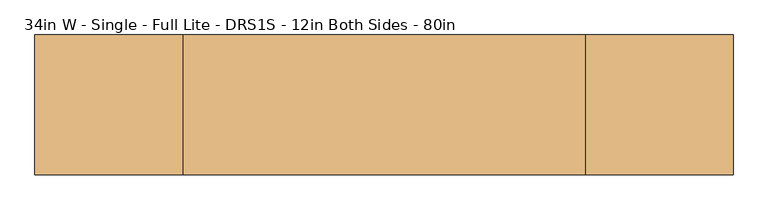
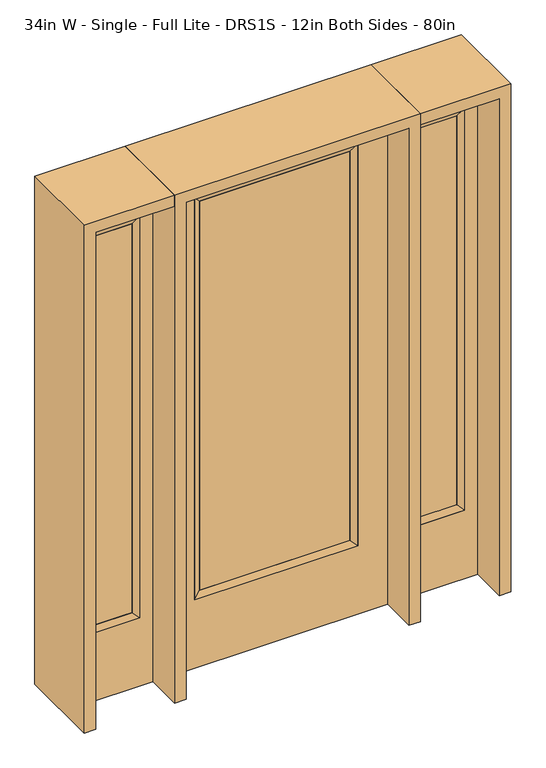
"""IFC4 building model written with IfcOpenShell, lengths in millimetres: door geometry, 34in W - Single - Full Lite - DRS1S - 12in Both Sides - 80in."""

from ifc_helpers import new_model, si_unit, frame, origin, place, context, project, spatial, polyline, outline, extrude, faceted_brep, source, transform, mapped, element, save


def door_34in_w_single_full_lite_drs1s_12in_both_sides_80in_2f2fbe7e(model_context):
    return source(origin(), model_context, "Body", "SolidModel", [
        extrude(outline(polyline([(290.9824, -12.7039749), (-290.9824, -12.7039749), (-290.9824, 14.2875), (290.9824, 14.2875), (290.9824, -12.7039749)])), frame((0.0, 0.0, 304.8), z_axis=(0.0, 0.0, 1.0), x_axis=(1.0, 0.0, 0.0)), (0.0, 0.0, 1.0), 1591.1576),
        faceted_brep([(290.9824, 14.2875, 1895.9576), (316.3824, 22.225, 1921.3576), (316.3824, 22.225, 279.4), (290.9824, 14.2875, 304.8), (316.3824, -22.225, 1921.3576), (316.3824, -22.225, 279.4), (-316.3824, 22.225, 279.4), (-290.9824, 14.2875, 304.8), (290.9824, -12.7039749, 1895.9576), (290.9824, -12.7039749, 304.8), (-290.9824, -12.7039749, 304.8), (-316.3824, -22.225, 279.4), (-316.3824, 22.225, 1921.3576), (-290.9824, 14.2875, 1895.9576), (-290.9824, -12.7039749, 1895.9576), (-316.3824, -22.225, 1921.3576)], [[[0, 1, 2, 3]], [[1, 4, 5, 2]], [[3, 2, 6, 7]], [[8, 0, 3, 9]], [[9, 3, 7, 10]], [[4, 8, 9, 5]], [[5, 9, 10, 11]], [[2, 5, 11, 6]], [[7, 6, 12, 13]], [[10, 7, 13, 14]], [[11, 10, 14, 15]], [[6, 11, 15, 12]], [[13, 12, 1, 0]], [[14, 13, 0, 8]], [[15, 14, 8, 4]], [[12, 15, 4, 1]]]),
        extrude(outline(polyline([(0.0, -431.8), (0.0, 431.8), (2032.0, 431.8), (2032.0, -431.8), (0.0, -431.8)]), holes=[polyline([(279.4, -316.3824), (1921.3576, -316.3824), (1921.3576, 316.3824), (279.4, 316.3824), (279.4, -316.3824)])]), frame((0.0, -22.225, 0.0), z_axis=(0.0, 1.0, 0.0), x_axis=(0.0, 0.0, 1.0)), (0.0, 0.0, 1.0), 44.45),
        faceted_brep([(527.05, 20.6375, 1920.875), (527.05, 20.6375, 279.4), (527.05, -20.6375, 279.4), (527.05, -20.6375, 1920.875), (552.45, -12.7, 304.8), (552.45, -12.7, 1895.475), (730.25, 20.6375, 279.4), (730.25, -20.6375, 279.4), (552.45, 12.7, 1895.475), (552.45, 12.7, 304.8), (704.85, 12.7, 304.8), (704.85, -12.7, 304.8), (730.25, 20.6375, 1920.875), (730.25, -20.6375, 1920.875), (704.85, 12.7, 1895.475), (704.85, -12.7, 1895.475)], [[[0, 1, 2, 3]], [[3, 2, 4, 5]], [[1, 6, 7, 2]], [[8, 9, 1, 0]], [[9, 10, 6, 1]], [[5, 4, 9, 8]], [[4, 11, 10, 9]], [[2, 7, 11, 4]], [[6, 12, 13, 7]], [[10, 14, 12, 6]], [[11, 15, 14, 10]], [[7, 13, 15, 11]], [[12, 0, 3, 13]], [[14, 8, 0, 12]], [[15, 5, 8, 14]], [[13, 3, 5, 15]]]),
        extrude(outline(polyline([(0.0, 781.05), (2032.0, 781.05), (2032.0, 476.25), (0.0, 476.25), (0.0, 781.05)]), holes=[polyline([(1920.875, 527.05), (1920.875, 730.25), (279.4, 730.25), (279.4, 527.05), (1920.875, 527.05)])]), frame((0.0, -20.6375, 0.0), z_axis=(0.0, 1.0, 0.0), x_axis=(0.0, 0.0, 1.0)), (0.0, 0.0, 1.0), 41.275),
        extrude(outline(polyline([(552.45, -12.7), (552.45, 12.7), (704.85, 12.7), (704.85, -12.7), (552.45, -12.7)])), frame((0.0, 0.0, 304.8), z_axis=(0.0, 0.0, 1.0), x_axis=(1.0, 0.0, 0.0)), (0.0, 0.0, 1.0), 1590.675),
        faceted_brep([(-527.05, 20.6375, 1920.875), (-527.05, -20.6375, 1920.875), (-527.05, -20.6375, 279.4), (-527.05, 20.6375, 279.4), (-552.45, -12.7, 1895.475), (-552.45, -12.7, 304.8), (-730.25, -20.6375, 279.4), (-730.25, 20.6375, 279.4), (-552.45, 12.7, 1895.475), (-552.45, 12.7, 304.8), (-704.85, 12.7, 304.8), (-704.85, -12.7, 304.8), (-730.25, -20.6375, 1920.875), (-730.25, 20.6375, 1920.875), (-704.85, 12.7, 1895.475), (-704.85, -12.7, 1895.475)], [[[0, 1, 2, 3]], [[1, 4, 5, 2]], [[3, 2, 6, 7]], [[8, 0, 3, 9]], [[9, 3, 7, 10]], [[4, 8, 9, 5]], [[5, 9, 10, 11]], [[2, 5, 11, 6]], [[7, 6, 12, 13]], [[10, 7, 13, 14]], [[11, 10, 14, 15]], [[6, 11, 15, 12]], [[13, 12, 1, 0]], [[14, 13, 0, 8]], [[15, 14, 8, 4]], [[12, 15, 4, 1]]]),
        extrude(outline(polyline([(0.0, -781.05), (0.0, -476.25), (2032.0, -476.25), (2032.0, -781.05), (0.0, -781.05)]), holes=[polyline([(1920.875, -527.05), (279.4, -527.05), (279.4, -730.25), (1920.875, -730.25), (1920.875, -527.05)])]), frame((0.0, -20.6375, 0.0), z_axis=(0.0, 1.0, 0.0), x_axis=(0.0, 0.0, 1.0)), (0.0, 0.0, 1.0), 41.275),
        extrude(outline(polyline([(-552.45, -12.7), (-704.85, -12.7), (-704.85, 12.7), (-552.45, 12.7), (-552.45, -12.7)])), frame((0.0, 0.0, 304.8), z_axis=(0.0, 0.0, 1.0), x_axis=(1.0, 0.0, 0.0)), (0.0, 0.0, 1.0), 1590.675),
        extrude(outline(polyline([(2032.0, -476.25), (2076.45, -476.25), (2076.45, -825.5), (0.0, -825.5), (0.0, -781.05), (2032.0, -781.05), (2032.0, -476.25)])), frame((0.0, -165.1, 0.0), z_axis=(0.0, 1.0, 0.0), x_axis=(0.0, 0.0, 1.0)), (0.0, 0.0, 1.0), 330.2),
        extrude(outline(polyline([(2076.45, -476.25), (0.0, -476.25), (0.0, -431.8), (2032.0, -431.8), (2032.0, 431.8), (0.0, 431.8), (0.0, 476.25), (2076.45, 476.25), (2076.45, -476.25)])), frame((0.0, -165.1, 0.0), z_axis=(0.0, 1.0, 0.0), x_axis=(0.0, 0.0, 1.0)), (0.0, 0.0, 1.0), 330.2),
        extrude(outline(polyline([(0.0, 781.05), (0.0, 825.5), (2076.45, 825.5), (2076.45, 476.25), (2032.0, 476.25), (2032.0, 781.05), (0.0, 781.05)])), frame((0.0, -165.1, 0.0), z_axis=(0.0, 1.0, 0.0), x_axis=(0.0, 0.0, 1.0)), (0.0, 0.0, 1.0), 330.2),
    ])


if __name__ == "__main__":
    model = new_model("IFC4")
    model_context = context("Model", 3, world=origin())
    ifc_project = project(units=[si_unit("LENGTHUNIT", "METRE", prefix="MILLI")], contexts=[model_context])
    site = spatial("IfcSite", under=ifc_project)
    building = spatial("IfcBuilding", under=site)
    placement = place(None, origin())
    door_34in_w_single_full_lite_drs1s_12in_both_sides_80in_shape = door_34in_w_single_full_lite_drs1s_12in_both_sides_80in_2f2fbe7e(model_context)
    element("IfcDoor", 1, ObjectType="34in W - Single - Full Lite - DRS1S - 12in Both Sides - 80in", at=placement, inside=building, context=model_context, shape_type="MappedRepresentation", body=[
        mapped(door_34in_w_single_full_lite_drs1s_12in_both_sides_80in_shape, transform((0.0, 0.0, 0.0), x_axis=(1.0, 0.0, 0.0), y_axis=(0.0, 1.0, 0.0), z_axis=(0.0, 0.0, 1.0))),
    ])
    save(model, "model.ifc")
